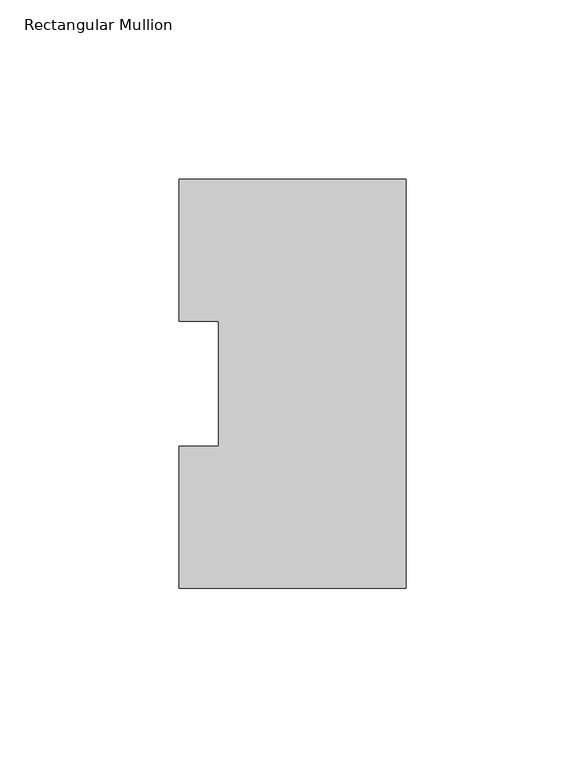
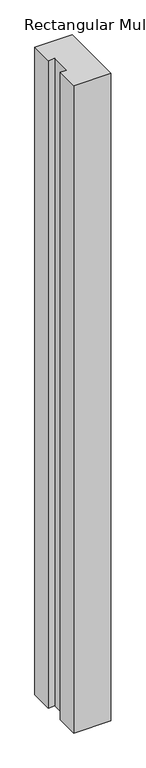
"""IFC4 building model written with IfcOpenShell, lengths in millimetres: member geometry, Rectangular Mullion."""

from ifc_helpers import new_model, si_unit, frame, origin, place, context, project, spatial, polyline, outline, extrude, source, transform, mapped, element, save


def rectangular_mullion_6061ddd8(model_context):
    return source(origin(), model_context, "Body", "SweptSolid", [
        extrude(outline(polyline([(0.0, 114.271425), (0.0, -0.028575), (-63.5, -0.028575), (-63.5, 39.646225), (-52.3875, 39.646225), (-52.3875, 74.596625), (-63.5, 74.596625), (-63.5, 114.271425), (0.0, 114.271425)])), frame((0.0, 0.0, -1168.4), z_axis=(0.0, 0.0, 1.0), x_axis=(1.0, 0.0, 0.0)), (0.0, 0.0, 1.0), 1168.4),
    ])


if __name__ == "__main__":
    model = new_model("IFC4")
    model_context = context("Model", 3, world=origin())
    ifc_project = project(units=[si_unit("LENGTHUNIT", "METRE", prefix="MILLI")], contexts=[model_context])
    site = spatial("IfcSite", under=ifc_project)
    building = spatial("IfcBuilding", under=site)
    placement = place(None, origin())
    rectangular_mullion_shape = rectangular_mullion_6061ddd8(model_context)
    element("IfcMember", 1, ObjectType="Rectangular Mullion", at=placement, inside=building, context=model_context, shape_type="MappedRepresentation", body=[
        mapped(rectangular_mullion_shape, transform((0.0, 0.0, 0.0), x_axis=(1.0, 0.0, 0.0), y_axis=(0.0, 1.0, 0.0), z_axis=(0.0, 0.0, 1.0))),
    ])
    save(model, "model.ifc")
